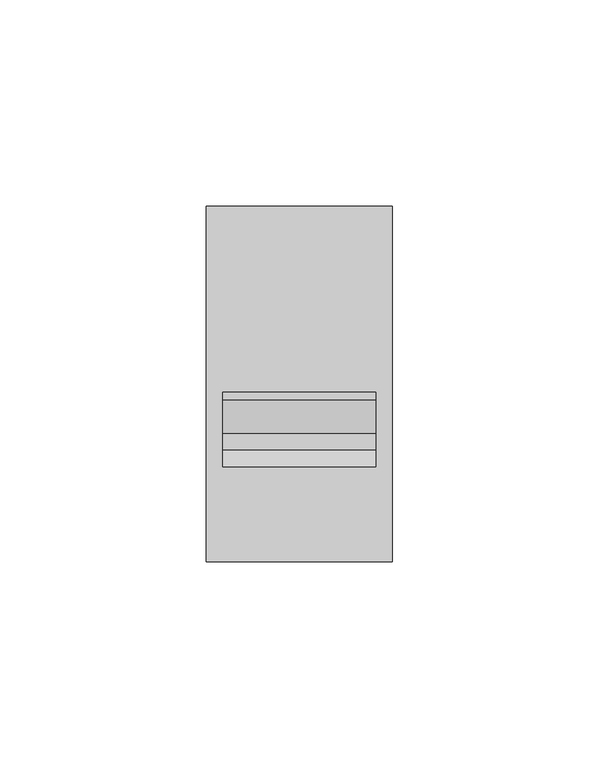
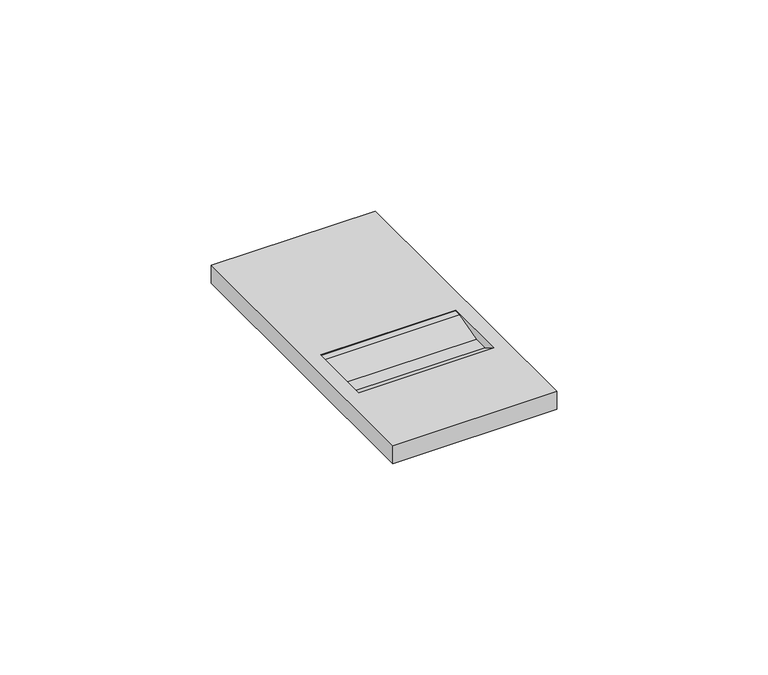
"""IFC4 building model written with IfcOpenShell, lengths in millimetres: proxy geometry."""

from ifc_helpers import new_model, si_unit, origin, place, context, project, spatial, faceted_brep, source, transform, mapped, element, save


def electrical_fixtures_6a26629e(model_context):
    return source(origin(), model_context, "Body", "Brep", [
        faceted_brep([(0.0, 0.0, 10.7), (45.0, 0.0, 10.7), (45.0, 86.0, 10.7), (0.0, 86.0, 10.7), (41.0, 41.0, 10.7), (41.0, 23.0, 10.7), (4.0, 23.0, 10.7), (4.0, 41.0, 10.7), (0.0, 0.0, 5.5), (0.0, 86.0, 5.5), (45.0, 86.0, 5.5), (45.0, 0.0, 5.5), (41.0, 41.0, 10.5235523), (41.0, 39.1165593, 10.5235523), (41.0, 31.0, 8.4), (41.0, 26.9837169, 8.4), (4.0, 26.9837169, 8.4), (4.0, 31.0, 8.4), (4.0, 39.1165593, 10.5235523), (4.0, 41.0, 10.5235523)], [[[0, 1, 2, 3], [4, 5, 6, 7]], [[8, 9, 10, 11]], [[1, 0, 8, 11]], [[2, 1, 11, 10]], [[3, 2, 10, 9]], [[0, 3, 9, 8]], [[12, 13, 14, 15, 5, 4]], [[6, 16, 17, 18, 19, 7]], [[5, 15, 16, 6]], [[15, 14, 17, 16]], [[14, 13, 18, 17]], [[13, 12, 19, 18]], [[19, 12, 4, 7]]]),
    ])


if __name__ == "__main__":
    model = new_model("IFC4")
    model_context = context("Model", 3, world=origin())
    ifc_project = project(units=[si_unit("LENGTHUNIT", "METRE", prefix="MILLI")], contexts=[model_context])
    site = spatial("IfcSite", under=ifc_project)
    building = spatial("IfcBuilding", under=site)
    placement = place(None, origin())
    electrical_fixtures_shape = electrical_fixtures_6a26629e(model_context)
    element("IfcBuildingElementProxy", 1, Name="Electrical Fixtures", at=placement, inside=building, context=model_context, shape_type="MappedRepresentation", body=[
        mapped(electrical_fixtures_shape, transform((0.0, 0.0, 0.0), x_axis=(1.0, 0.0, 0.0), y_axis=(0.0, 1.0, 0.0), z_axis=(0.0, 0.0, 1.0))),
    ])
    save(model, "model.ifc")
